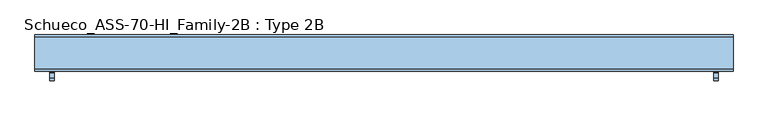
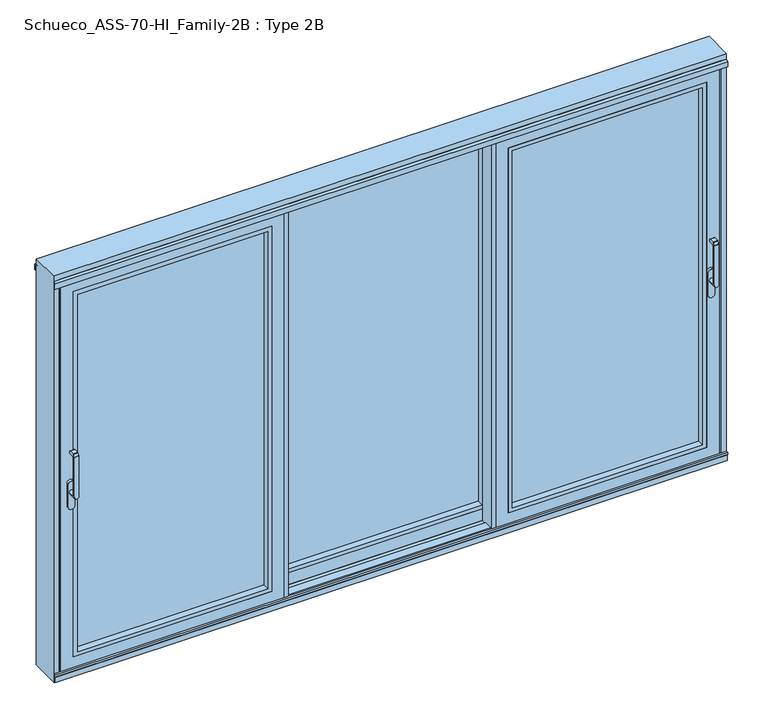
"""IFC4 building model written with IfcOpenShell, lengths in millimetres: window geometry, Schueco_ASS-70-HI_Family-2B : Type 2B."""

from ifc_helpers import new_model, si_unit, point, frame, frame_2d, origin, place, context, project, spatial, polyline, circle_curve, trimmed, segment, composite_curve, outline, extrude, faceted_brep, source, transform, mapped, element, save
from ifc_brep_helpers import plane_surface, cylinder_surface, revolved_surface, advanced_brep


def schueco_ass_70_hi_family_2b_type_2b_97aa8ce2(model_context):
    return source(origin(), model_context, "Body", "SolidModel", [
        advanced_brep(
        [(1690.9498734, -29.9999695, 1229.000061), (1714.9498734, -29.9999695, 1229.000061), (1714.9498734, -31.9999695, 1227.000061), (1690.9498734, -31.9999695, 1227.000061), (1690.9498734, -31.9999695, 1242.000061), (1714.9498734, -31.9999695, 1242.000061), (1714.9498734, -29.9999695, 1240.000061), (1690.9498734, -29.9999695, 1240.000061), (1690.9498734, -23.9999695, 1004.005052), (1690.9498734, -59.9999695, 1004.005052), (1714.9498734, -59.9999695, 1004.005052), (1714.9498734, -23.9999695, 1004.005052), (1714.9498734, -71.9999695, 1004.0), (1714.9498734, -71.9999695, 1229.2360009), (1690.9498734, -71.9999695, 1229.2360009), (1690.9498734, -71.9999695, 1004.0), (1690.9498734, -71.414183, 1230.6502145), (1690.9498734, -60.6501229, 1241.4142746), (1690.9498734, -59.2359094, 1242.000061), (1690.9498734, -52.6493095, 1227.000061), (1690.9498734, -59.9999695, 1219.6494011), (1714.9498734, -59.9999695, 1219.6494011), (1714.9498734, -52.6493095, 1227.000061), (1714.9498734, -59.2359094, 1242.000061), (1714.9498734, -60.6501229, 1241.4142746), (1714.9498734, -71.414183, 1230.6502145)],
        [
            (0, 1),
            (1, 2, circle_curve(frame((1714.9498734, -31.9999695, 1229.000061), z_axis=(-1.0, 0.0, 0.0), x_axis=(0.0, 0.0, -1.0)), 2.0)),
            (2, 3),
            (3, 0, circle_curve(frame((1690.9498734, -31.9999695, 1229.000061), z_axis=(1.0, 0.0, 0.0), x_axis=(0.0, 0.0, -1.0)), 2.0)),
            (4, 5),
            (5, 6, circle_curve(frame((1714.9498734, -31.9999695, 1240.000061), z_axis=(-1.0, 0.0, 0.0), x_axis=(0.0, 0.0, -1.0)), 2.0)),
            (6, 7),
            (7, 4, circle_curve(frame((1690.9498734, -31.9999695, 1240.000061), z_axis=(1.0, 0.0, 0.0), x_axis=(0.0, 0.0, -1.0)), 2.0)),
            (8, 9),
            (9, 10, circle_curve(frame((1702.9498734, -59.9999695, 1004.005052), z_axis=(0.0, 1.0, 0.0), x_axis=(-1.0, 0.0, 0.0)), 12.0)),
            (10, 11),
            (11, 8, circle_curve(frame((1702.9498734, -23.9999695, 1004.005052), z_axis=(0.0, -1.0, 0.0), x_axis=(-1.0, 0.0, 0.0)), 12.0)),
            (12, 13),
            (13, 14),
            (14, 15),
            (15, 12, circle_curve(frame((1702.9498734, -71.9999695, 1004.005052), z_axis=(0.0, -1.0, 0.0), x_axis=(-1.0, 0.0, 0.0)), 12.0)),
            (11, 8, circle_curve(frame((1702.9498734, -23.9999695, 1004.005052), z_axis=(0.0, 1.0, 0.0), x_axis=(-1.0, 0.0, 0.0)), 12.0)),
            (15, 9),
            (10, 12),
            (14, 16, circle_curve(frame((1690.9498734, -69.9999695, 1229.2360009), z_axis=(-1.0, 0.0, 0.0), x_axis=(0.0, 0.0, -1.0)), 2.0)),
            (16, 17),
            (17, 18, circle_curve(frame((1690.9498734, -59.2359094, 1240.000061), z_axis=(-1.0, 0.0, 0.0), x_axis=(0.0, 0.0, -1.0)), 2.0)),
            (18, 4),
            (7, 0),
            (3, 19),
            (19, 20, circle_curve(frame((1690.9498734, -52.6493095, 1219.6494011), z_axis=(1.0, 0.0, 0.0), x_axis=(0.0, 0.0, -1.0)), 7.35066)),
            (20, 9),
            (10, 21),
            (21, 22, circle_curve(frame((1714.9498734, -52.6493095, 1219.6494011), z_axis=(-1.0, 0.0, 0.0), x_axis=(0.0, 0.0, -1.0)), 7.35066)),
            (22, 2),
            (1, 6),
            (5, 23),
            (23, 24, circle_curve(frame((1714.9498734, -59.2359094, 1240.000061), z_axis=(1.0, 0.0, 0.0), x_axis=(0.0, 0.0, -1.0)), 2.0)),
            (24, 25),
            (25, 13, circle_curve(frame((1714.9498734, -69.9999695, 1229.2360009), z_axis=(1.0, 0.0, 0.0), x_axis=(0.0, 0.0, -1.0)), 2.0)),
            (20, 21),
            (19, 22),
            (18, 23),
            (17, 24),
            (16, 25),
        ],
        [
            cylinder_surface(frame((1714.9498734, -31.9999695, 1229.000061), z_axis=(-1.0, 0.0, 0.0), x_axis=(0.0, 0.0, -1.0)), 2.0),
            cylinder_surface(frame((1714.9498734, -31.9999695, 1240.000061), z_axis=(-1.0, 0.0, 0.0), x_axis=(0.0, 0.0, -1.0)), 2.0),
            cylinder_surface(frame((1702.9498734, -23.9999695, 1004.005052), z_axis=(0.0, -1.0, 0.0), x_axis=(-1.0, 0.0, 0.0)), 12.0),
            plane_surface(frame((1690.9498734, -71.9999695, 1004.005052), z_axis=(0.0, -1.0, 0.0), x_axis=(0.0, 0.0, 1.0))),
            plane_surface(frame((1690.9498734, -23.9999695, 1004.005052), z_axis=(0.0, 1.0, 0.0), x_axis=(0.0, 0.0, -1.0))),
            plane_surface(frame((1690.9498734, -71.9999695, 1009.7503433), z_axis=(-1.0, 0.0, 0.0), x_axis=(0.0, 0.0, -1.0))),
            plane_surface(frame((1714.9498734, -71.9999695, 1009.7503433), z_axis=(1.0, 0.0, 0.0), x_axis=(0.0, 0.0, 1.0))),
            plane_surface(frame((1690.9498734, -59.9999695, 1004.0), z_axis=(0.0, 1.0, 0.0), x_axis=(1.0, 0.0, 0.0))),
            revolved_surface(polyline([(1714.9498734, -52.6493095, 1212.2987411), (1690.9498734, -52.6493095, 1212.2987411)]), (1714.9498734, -52.6493095, 1219.6494011), (1.0, 0.0, 0.0)),
            plane_surface(frame((1690.9498734, -52.6493095, 1227.000061), z_axis=(0.0, 0.0, -1.0), x_axis=(1.0, 0.0, 0.0))),
            plane_surface(frame((1690.9498734, -29.9999695, 1229.000061), z_axis=(0.0, 1.0, 0.0), x_axis=(1.0, 0.0, 0.0))),
            plane_surface(frame((1690.9498734, -31.9999695, 1242.000061), z_axis=(0.0, 0.0, 1.0), x_axis=(1.0, 0.0, 0.0))),
            cylinder_surface(frame((1714.9498734, -59.2359094, 1240.000061), z_axis=(-1.0, 0.0, 0.0), x_axis=(0.0, 0.0, -1.0)), 2.0),
            plane_surface(frame((1690.9498734, -60.6501229, 1241.4142746), z_axis=(0.0, -0.7071067811865422, 0.7071067811865528), x_axis=(1.0, 0.0, 0.0))),
            cylinder_surface(frame((1714.9498734, -69.9999695, 1229.2360009), z_axis=(-1.0, 0.0, 0.0), x_axis=(0.0, 0.0, -1.0)), 2.0),
        ],
        [
            (0, [[1, 2, 3, 4]]),
            (1, [[5, 6, 7, 8]]),
            (2, [[9, 10, 11, 12]]),
            (3, [[13, 14, 15, 16]]),
            (4, [[17, -12]]),
            (2, [[18, -9, -17, -11, 19, -16]]),
            (5, [[20, 21, 22, 23, -8, 24, -4, 25, 26, 27, -18, -15]]),
            (6, [[-13, -19, 28, 29, 30, -2, 31, -6, 32, 33, 34, 35]]),
            (7, [[36, -28, -10, -27]]),
            (8, [[37, -29, -36, -26]]),
            (9, [[-3, -30, -37, -25]]),
            (10, [[-7, -31, -1, -24]]),
            (11, [[38, -32, -5, -23]]),
            (12, [[39, -33, -38, -22]]),
            (13, [[40, -34, -39, -21]]),
            (14, [[-14, -35, -40, -20]]),
        ],
    ),
        extrude(outline(composite_curve([segment(polyline([(922.2823932, 1719.6998734), (1049.0099288, 1719.6998734)]), True, "CONTINUOUS"), segment(trimmed(circle_curve(frame_2d((1049.0099288, 1702.9498734)), 16.75), [point((1049.0099288, 1719.6998734))], [point((1049.0099288, 1686.1998734))], False, "CARTESIAN"), True, "CONTINUOUS"), segment(polyline([(1049.0099288, 1686.1998734), (922.2823932, 1686.1998734)]), True, "CONTINUOUS"), segment(trimmed(circle_curve(frame_2d((922.2823932, 1702.9498734)), 16.75), [point((922.2823932, 1686.1998734))], [point((922.2823932, 1719.6998734))], False, "CARTESIAN"), True, "CONTINUOUS")], self_intersect=False)), frame((0.0, -23.9999695, 0.0), z_axis=(0.0, 1.0, 0.0), x_axis=(0.0, 0.0, 1.0)), (0.0, 0.0, 1.0), 13.9999695),
        extrude(outline(polyline([(2114.8998417, 1684.8998417), (2114.8998417, 628.766825), (59.1001583, 628.766825), (59.1001583, 1684.8998417), (2114.8998417, 1684.8998417)]), holes=[polyline([(2092.899857, 650.7668097), (2092.899857, 1662.899857), (81.100143, 1662.899857), (81.100143, 650.7668097), (2092.899857, 650.7668097)])]), frame((0.0, -10.0222971, 0.0), z_axis=(0.0, 1.0, 0.0), x_axis=(0.0, 0.0, 1.0)), (0.0, 0.0, 1.0), 35.0222836),
        extrude(outline(polyline([(636.7650984, 24.9999865), (636.7650984, 50.9898307), (1676.9015682, 50.9898307), (1676.9015682, 24.9999865), (636.7650984, 24.9999865)])), frame((0.0, 0.0, 67.0984318), z_axis=(0.0, 0.0, 1.0), x_axis=(1.0, 0.0, 0.0)), (0.0, 0.0, 1.0), 2039.8031365),
        extrude(outline(polyline([(542.6650736, -10.0222971), (542.6650736, 74.1898845), (596.6666667, 74.1898845), (596.6666667, 59.9674946), (546.4651386, 59.9674946), (546.4651386, -4.5223302), (562.6650431, -4.5223302), (562.6650431, -10.0222971), (542.6650736, -10.0222971)])), frame((0.0, 0.0, -6.9999052), z_axis=(0.0, 0.0, 1.0), x_axis=(1.0, 0.0, 0.0)), (0.0, 0.0, 1.0), 2187.9998104),
        faceted_brep([(1751.0016236, 54.4675277, 2181.0016236), (1751.0016236, 54.4675277, -7.0016236), (1751.0016236, 59.9674946, -7.0016236), (1751.0016236, 59.9674946, 2181.0016236), (562.6650431, 59.9674946, 2181.0016236), (562.6650431, 59.9674946, -7.0016236), (1663.0016236, 59.9674946, 2093.0016236), (650.6650431, 59.9674946, 2093.0016236), (650.6650431, 59.9674946, 80.9983764), (1663.0016236, 59.9674946, 80.9983764), (562.6650431, 54.4675277, -7.0016236), (562.6650431, 54.4675277, 2181.0016236), (592.6667615, 54.4675277, 2150.9999052), (1720.9999052, 54.4675277, 2150.9999052), (1720.9999052, 54.4675277, 23.0000948), (592.6667615, 54.4675277, 23.0000948), (1720.9999052, -4.5222971, 2150.9999052), (1720.9999052, -4.5222971, 23.0000948), (592.6667615, -4.5222971, 23.0000948), (562.6667615, -4.5222971, 2180.9999052), (1750.9999052, -4.5222971, 2180.9999052), (1750.9999052, -4.5222971, -6.9999052), (562.6667615, -4.5222971, -6.9999052), (592.6667615, -4.5222971, 2150.9999052), (1750.9999052, -10.0222971, 2180.9999052), (1750.9999052, -10.0222971, -6.9999052), (562.6667615, -10.0222971, -6.9999052), (562.6667615, -10.0222971, 2180.9999052), (628.766825, -10.0222971, 2114.8998417), (1684.8998417, -10.0222971, 2114.8998417), (1684.8998417, -10.0222971, 59.1001583), (628.766825, -10.0222971, 59.1001583), (1676.9015682, 50.9898307, 2106.9015682), (1676.9015682, 50.9898307, 67.0984318), (1676.9015682, 24.9898307, 67.0984318), (1676.9015682, 24.9898307, 2106.9015682), (1684.8998417, 24.9898307, 2114.8998417), (628.766825, 24.9898307, 2114.8998417), (628.766825, 24.9898307, 59.1001583), (1684.8998417, 24.9898307, 59.1001583), (636.7650984, 24.9898307, 2106.9015682), (636.7650984, 24.9898307, 67.0984318), (636.7650984, 50.9898307, 67.0984318), (636.7650984, 50.9898307, 2106.9015682), (650.6650431, 50.9898307, 2093.0016236), (1663.0016236, 50.9898307, 2093.0016236), (1663.0016236, 50.9898307, 80.9983764), (650.6650431, 50.9898307, 80.9983764)], [[[0, 1, 2, 3]], [[4, 3, 2, 5], [6, 7, 8, 9]], [[1, 10, 5, 2]], [[0, 11, 10, 1], [12, 13, 14, 15]], [[16, 17, 14, 13]], [[17, 18, 15, 14]], [[19, 20, 21, 22], [16, 23, 18, 17]], [[24, 25, 21, 20]], [[25, 26, 22, 21]], [[24, 27, 26, 25], [28, 29, 30, 31]], [[32, 33, 34, 35]], [[36, 37, 38, 39], [40, 35, 34, 41]], [[33, 42, 41, 34]], [[32, 43, 42, 33], [44, 45, 46, 47]], [[6, 9, 46, 45]], [[9, 8, 47, 46]], [[10, 11, 4, 5]], [[18, 23, 12, 15]], [[26, 27, 19, 22]], [[42, 43, 40, 41]], [[8, 7, 44, 47]], [[38, 37, 28, 31]], [[39, 38, 31, 30]], [[36, 39, 30, 29]], [[11, 0, 3, 4]], [[23, 16, 13, 12]], [[27, 24, 20, 19]], [[43, 32, 35, 40]], [[7, 6, 45, 44]], [[37, 36, 29, 28]]]),
        advanced_brep(
        [(-1690.9498734, -29.9999695, 1229.000061), (-1690.9498734, -31.9999695, 1227.000061), (-1714.9498734, -31.9999695, 1227.000061), (-1714.9498734, -29.9999695, 1229.000061), (-1690.9498734, -31.9999695, 1242.000061), (-1690.9498734, -29.9999695, 1240.000061), (-1714.9498734, -29.9999695, 1240.000061), (-1714.9498734, -31.9999695, 1242.000061), (-1690.9498734, -23.9999695, 1004.005052), (-1714.9498734, -23.9999695, 1004.005052), (-1714.9498734, -59.9999695, 1004.005052), (-1690.9498734, -59.9999695, 1004.005052), (-1714.9498734, -71.9999695, 1004.005052), (-1690.9498734, -71.9999695, 1004.005052), (-1690.9498734, -71.9999695, 1229.2360009), (-1714.9498734, -71.9999695, 1229.2360009), (-1690.9498734, -59.9999695, 1219.6494011), (-1690.9498734, -52.6493095, 1227.000061), (-1690.9498734, -59.2359094, 1242.000061), (-1690.9498734, -60.6501229, 1241.4142746), (-1690.9498734, -71.414183, 1230.6502145), (-1714.9498734, -71.414183, 1230.6502145), (-1714.9498734, -60.6501229, 1241.4142746), (-1714.9498734, -59.2359094, 1242.000061), (-1714.9498734, -52.6493095, 1227.000061), (-1714.9498734, -59.9999695, 1219.6494011)],
        [
            (0, 1, circle_curve(frame((-1690.9498734, -31.9999695, 1229.000061), z_axis=(-1.0, 0.0, 0.0), x_axis=(0.0, 0.0, -1.0)), 2.0)),
            (1, 2),
            (2, 3, circle_curve(frame((-1714.9498734, -31.9999695, 1229.000061), z_axis=(1.0, 0.0, 0.0), x_axis=(0.0, 0.0, -1.0)), 2.0)),
            (3, 0),
            (4, 5, circle_curve(frame((-1690.9498734, -31.9999695, 1240.000061), z_axis=(-1.0, 0.0, 0.0), x_axis=(0.0, 0.0, -1.0)), 2.0)),
            (5, 6),
            (6, 7, circle_curve(frame((-1714.9498734, -31.9999695, 1240.000061), z_axis=(1.0, 0.0, 0.0), x_axis=(0.0, 0.0, -1.0)), 2.0)),
            (7, 4),
            (8, 9, circle_curve(frame((-1702.9498734, -23.9999695, 1004.005052), z_axis=(0.0, -1.0, 0.0), x_axis=(1.0, 0.0, 0.0)), 12.0)),
            (9, 10),
            (10, 11, circle_curve(frame((-1702.9498734, -59.9999695, 1004.005052), z_axis=(0.0, 1.0, 0.0), x_axis=(1.0, 0.0, 0.0)), 12.0)),
            (11, 8),
            (12, 13, circle_curve(frame((-1702.9498734, -71.9999695, 1004.005052), z_axis=(0.0, -1.0, 0.0), x_axis=(1.0, 0.0, 0.0)), 12.0)),
            (13, 14),
            (14, 15),
            (15, 12),
            (8, 9, circle_curve(frame((-1702.9498734, -23.9999695, 1004.005052), z_axis=(0.0, 1.0, 0.0), x_axis=(1.0, 0.0, 0.0)), 12.0)),
            (12, 10),
            (11, 13),
            (11, 16),
            (16, 17, circle_curve(frame((-1690.9498734, -52.6493095, 1219.6494011), z_axis=(-1.0, 0.0, 0.0), x_axis=(0.0, 0.0, -1.0)), 7.35066)),
            (17, 1),
            (0, 5),
            (4, 18),
            (18, 19, circle_curve(frame((-1690.9498734, -59.2359094, 1240.000061), z_axis=(1.0, 0.0, 0.0), x_axis=(0.0, 0.0, -1.0)), 2.0)),
            (19, 20),
            (20, 14, circle_curve(frame((-1690.9498734, -69.9999695, 1229.2360009), z_axis=(1.0, 0.0, 0.0), x_axis=(0.0, 0.0, -1.0)), 2.0)),
            (15, 21, circle_curve(frame((-1714.9498734, -69.9999695, 1229.2360009), z_axis=(-1.0, 0.0, 0.0), x_axis=(0.0, 0.0, -1.0)), 2.0)),
            (21, 22),
            (22, 23, circle_curve(frame((-1714.9498734, -59.2359094, 1240.000061), z_axis=(-1.0, 0.0, 0.0), x_axis=(0.0, 0.0, -1.0)), 2.0)),
            (23, 7),
            (6, 3),
            (2, 24),
            (24, 25, circle_curve(frame((-1714.9498734, -52.6493095, 1219.6494011), z_axis=(1.0, 0.0, 0.0), x_axis=(0.0, 0.0, -1.0)), 7.35066)),
            (25, 10),
            (25, 16),
            (24, 17),
            (23, 18),
            (22, 19),
            (21, 20),
        ],
        [
            cylinder_surface(frame((-1714.9498734, -31.9999695, 1229.000061), z_axis=(1.0, 0.0, 0.0), x_axis=(0.0, 0.0, -1.0)), 2.0),
            cylinder_surface(frame((-1714.9498734, -31.9999695, 1240.000061), z_axis=(1.0, 0.0, 0.0), x_axis=(0.0, 0.0, -1.0)), 2.0),
            cylinder_surface(frame((-1702.9498734, -23.9999695, 1004.005052), z_axis=(0.0, -1.0, 0.0), x_axis=(1.0, 0.0, 0.0)), 12.0),
            plane_surface(frame((-1690.9498734, -71.9999695, 1004.005052), z_axis=(0.0, -1.0, 0.0), x_axis=(0.0, 0.0, 1.0))),
            plane_surface(frame((-1690.9498734, -23.9999695, 1004.005052), z_axis=(0.0, 1.0, 0.0), x_axis=(0.0, 0.0, -1.0))),
            plane_surface(frame((-1690.9498734, -71.9999695, 1009.7503433), z_axis=(1.0, 0.0, 0.0), x_axis=(0.0, 0.0, -1.0))),
            plane_surface(frame((-1714.9498734, -71.9999695, 1009.7503433), z_axis=(-1.0, 0.0, 0.0), x_axis=(0.0, 0.0, 1.0))),
            plane_surface(frame((-1690.9498734, -59.9999695, 1004.0), z_axis=(0.0, 1.0, 0.0), x_axis=(-1.0, 0.0, 0.0))),
            revolved_surface(polyline([(-1714.9498734, -52.6493095, 1212.2987411), (-1690.9498734, -52.6493095, 1212.2987411)]), (-1714.9498734, -52.6493095, 1219.6494011), (-1.0, 0.0, 0.0)),
            plane_surface(frame((-1690.9498734, -52.6493095, 1227.000061), z_axis=(0.0, 0.0, -1.0), x_axis=(-1.0, 0.0, 0.0))),
            plane_surface(frame((-1690.9498734, -29.9999695, 1229.000061), z_axis=(0.0, 1.0, 0.0), x_axis=(-1.0, 0.0, 0.0))),
            plane_surface(frame((-1690.9498734, -31.9999695, 1242.000061), z_axis=(0.0, 0.0, 1.0), x_axis=(-1.0, 0.0, 0.0))),
            cylinder_surface(frame((-1714.9498734, -59.2359094, 1240.000061), z_axis=(1.0, 0.0, 0.0), x_axis=(0.0, 0.0, -1.0)), 2.0),
            plane_surface(frame((-1690.9498734, -60.6501229, 1241.4142746), z_axis=(0.0, -0.7071067811865422, 0.7071067811865528), x_axis=(-1.0, 0.0, 0.0))),
            cylinder_surface(frame((-1714.9498734, -69.9999695, 1229.2360009), z_axis=(1.0, 0.0, 0.0), x_axis=(0.0, 0.0, -1.0)), 2.0),
        ],
        [
            (0, [[1, 2, 3, 4]]),
            (1, [[5, 6, 7, 8]]),
            (2, [[9, 10, 11, 12]]),
            (3, [[13, 14, 15, 16]]),
            (4, [[-9, 17]]),
            (2, [[-13, 18, -10, -17, -12, 19]]),
            (5, [[-14, -19, 20, 21, 22, -1, 23, -5, 24, 25, 26, 27]]),
            (6, [[28, 29, 30, 31, -7, 32, -3, 33, 34, 35, -18, -16]]),
            (7, [[-20, -11, -35, 36]]),
            (8, [[-21, -36, -34, 37]]),
            (9, [[-22, -37, -33, -2]]),
            (10, [[-23, -4, -32, -6]]),
            (11, [[-24, -8, -31, 38]]),
            (12, [[-25, -38, -30, 39]]),
            (13, [[-26, -39, -29, 40]]),
            (14, [[-27, -40, -28, -15]]),
        ],
    ),
        extrude(outline(composite_curve([segment(trimmed(circle_curve(frame_2d((922.2823932, -1702.9498734)), 16.75), [point((922.2823932, -1719.6998734))], [point((922.2823932, -1686.1998734))], False, "CARTESIAN"), True, "CONTINUOUS"), segment(polyline([(922.2823932, -1686.1998734), (1049.0099288, -1686.1998734)]), True, "CONTINUOUS"), segment(trimmed(circle_curve(frame_2d((1049.0099288, -1702.9498734)), 16.75), [point((1049.0099288, -1686.1998734))], [point((1049.0099288, -1719.6998734))], False, "CARTESIAN"), True, "CONTINUOUS"), segment(polyline([(1049.0099288, -1719.6998734), (922.2823932, -1719.6998734)]), True, "CONTINUOUS")], self_intersect=False)), frame((0.0, -23.9999695, 0.0), z_axis=(0.0, 1.0, 0.0), x_axis=(0.0, 0.0, 1.0)), (0.0, 0.0, 1.0), 13.9999695),
        extrude(outline(polyline([(2114.8998417, -1684.8998417), (59.1001583, -1684.8998417), (59.1001583, -628.766825), (2114.8998417, -628.766825), (2114.8998417, -1684.8998417)]), holes=[polyline([(2092.899857, -650.7668097), (81.100143, -650.7668097), (81.100143, -1662.899857), (2092.899857, -1662.899857), (2092.899857, -650.7668097)])]), frame((0.0, -10.0222971, 0.0), z_axis=(0.0, 1.0, 0.0), x_axis=(0.0, 0.0, 1.0)), (0.0, 0.0, 1.0), 35.0222836),
        extrude(outline(polyline([(-636.7650984, 24.9999865), (-1676.9015682, 24.9999865), (-1676.9015682, 50.9898307), (-636.7650984, 50.9898307), (-636.7650984, 24.9999865)])), frame((0.0, 0.0, 67.0984318), z_axis=(0.0, 0.0, 1.0), x_axis=(1.0, 0.0, 0.0)), (0.0, 0.0, 1.0), 2039.8031365),
        extrude(outline(polyline([(-542.6650736, -10.0222971), (-562.6650431, -10.0222971), (-562.6650431, -4.5223302), (-546.4651386, -4.5223302), (-546.4651386, 59.9674946), (-596.6666667, 59.9674946), (-596.6666667, 74.1898845), (-542.6650736, 74.1898845), (-542.6650736, -10.0222971)])), frame((0.0, 0.0, -6.9999052), z_axis=(0.0, 0.0, 1.0), x_axis=(1.0, 0.0, 0.0)), (0.0, 0.0, 1.0), 2187.9998104),
        faceted_brep([(-1751.0016236, 54.4675277, 2181.0016236), (-1751.0016236, 59.9674946, 2181.0016236), (-1751.0016236, 59.9674946, -7.0016236), (-1751.0016236, 54.4675277, -7.0016236), (-562.6650431, 59.9674946, 2181.0016236), (-562.6650431, 59.9674946, -7.0016236), (-1663.0016236, 59.9674946, 2093.0016236), (-1663.0016236, 59.9674946, 80.9983764), (-650.6650431, 59.9674946, 80.9983764), (-650.6650431, 59.9674946, 2093.0016236), (-562.6650431, 54.4675277, -7.0016236), (-562.6650431, 54.4675277, 2181.0016236), (-592.6667615, 54.4675277, 2150.9999052), (-592.6667615, 54.4675277, 23.0000948), (-1720.9999052, 54.4675277, 23.0000948), (-1720.9999052, 54.4675277, 2150.9999052), (-1720.9999052, -4.5222971, 2150.9999052), (-1720.9999052, -4.5222971, 23.0000948), (-592.6667615, -4.5222971, 23.0000948), (-562.6667615, -4.5222971, 2180.9999052), (-562.6667615, -4.5222971, -6.9999052), (-1750.9999052, -4.5222971, -6.9999052), (-1750.9999052, -4.5222971, 2180.9999052), (-592.6667615, -4.5222971, 2150.9999052), (-1750.9999052, -10.0222971, 2180.9999052), (-1750.9999052, -10.0222971, -6.9999052), (-562.6667615, -10.0222971, -6.9999052), (-562.6667615, -10.0222971, 2180.9999052), (-628.766825, -10.0222971, 2114.8998417), (-628.766825, -10.0222971, 59.1001583), (-1684.8998417, -10.0222971, 59.1001583), (-1684.8998417, -10.0222971, 2114.8998417), (-1676.9015682, 50.9898307, 2106.9015682), (-1676.9015682, 24.9898307, 2106.9015682), (-1676.9015682, 24.9898307, 67.0984318), (-1676.9015682, 50.9898307, 67.0984318), (-1684.8998417, 24.9898307, 2114.8998417), (-1684.8998417, 24.9898307, 59.1001583), (-628.766825, 24.9898307, 59.1001583), (-628.766825, 24.9898307, 2114.8998417), (-636.7650984, 24.9898307, 2106.9015682), (-636.7650984, 24.9898307, 67.0984318), (-636.7650984, 50.9898307, 67.0984318), (-636.7650984, 50.9898307, 2106.9015682), (-650.6650431, 50.9898307, 2093.0016236), (-650.6650431, 50.9898307, 80.9983764), (-1663.0016236, 50.9898307, 80.9983764), (-1663.0016236, 50.9898307, 2093.0016236)], [[[0, 1, 2, 3]], [[4, 5, 2, 1], [6, 7, 8, 9]], [[3, 2, 5, 10]], [[0, 3, 10, 11], [12, 13, 14, 15]], [[16, 15, 14, 17]], [[17, 14, 13, 18]], [[19, 20, 21, 22], [16, 17, 18, 23]], [[24, 22, 21, 25]], [[25, 21, 20, 26]], [[24, 25, 26, 27], [28, 29, 30, 31]], [[32, 33, 34, 35]], [[36, 37, 38, 39], [40, 41, 34, 33]], [[35, 34, 41, 42]], [[32, 35, 42, 43], [44, 45, 46, 47]], [[6, 47, 46, 7]], [[7, 46, 45, 8]], [[10, 5, 4, 11]], [[18, 13, 12, 23]], [[26, 20, 19, 27]], [[42, 41, 40, 43]], [[8, 45, 44, 9]], [[38, 29, 28, 39]], [[37, 30, 29, 38]], [[36, 31, 30, 37]], [[11, 4, 1, 0]], [[23, 12, 15, 16]], [[27, 19, 22, 24]], [[43, 40, 33, 32]], [[9, 44, 47, 6]], [[39, 28, 31, 36]]]),
        faceted_brep([(650.6682598, 150.0, 2.9839273), (650.6682598, 150.0, -6.9999052), (650.6682598, 141.2, -6.9999052), (650.6682598, 141.2, 1.0), (650.6682598, 74.1898845, 1.0), (650.6682598, 74.1898845, -15.0321213), (650.6682598, 65.7287223, -15.0321213), (650.6682598, 65.7287223, 2.9839273), (1741.0160727, 150.0, 2.9839273), (1741.0160727, 65.7287223, 2.9839273), (1741.0160727, 65.7287223, 2173.0000489), (1759.0321213, 65.7287223, -15.0321213), (1759.0321213, 65.7287223, 2173.0000489), (1759.0321213, 74.1898845, -15.0321213), (1759.0321213, 74.1898845, 2173.0000489), (1743.0, 74.1898845, 1.0), (1743.0, 74.1898845, 2173.0000489), (1743.0, 141.2, 1.0), (1743.0, 141.2, 2173.0000489), (1750.9999052, 141.2, -6.9999052), (1750.9999052, 141.2, 2173.0000489), (1750.9999052, 150.0, -6.9999052), (1750.9999052, 150.0, 2173.0000489), (1741.0160727, 150.0, 2173.0000489)], [[[0, 1, 2, 3, 4, 5, 6, 7]], [[8, 0, 7, 9]], [[10, 9, 7, 6, 11, 12]], [[11, 6, 5, 13]], [[14, 13, 5, 4, 15, 16]], [[15, 4, 3, 17]], [[18, 17, 3, 2, 19, 20]], [[19, 2, 1, 21]], [[22, 21, 1, 0, 8, 23]], [[23, 8, 9, 10]], [[12, 11, 13, 14]], [[16, 15, 17, 18]], [[20, 19, 21, 22]], [[23, 10, 12, 14, 16, 18, 20, 22]]]),
        extrude(outline(polyline([(-596.6667615, 65.8101155), (-650.6683546, 65.8101155), (-650.6683546, 150.0), (-630.6666667, 150.0), (-630.6666667, 144.5223302), (-646.8682895, 144.5223302), (-646.8682895, 80.0325054), (-596.6667615, 80.0325054), (-596.6667615, 65.8101155)])), frame((0.0, 0.0, -7.0), z_axis=(0.0, 0.0, 1.0), x_axis=(1.0, 0.0, 0.0)), (0.0, 0.0, 1.0), 2188.0),
        extrude(outline(polyline([(596.6667615, 65.8101155), (596.6667615, 80.0325054), (646.8682895, 80.0325054), (646.8682895, 144.5223302), (630.6666667, 144.5223302), (630.6666667, 150.0), (650.6683546, 150.0), (650.6683546, 65.8101155), (596.6667615, 65.8101155)])), frame((0.0, 0.0, -7.0), z_axis=(0.0, 0.0, 1.0), x_axis=(1.0, 0.0, 0.0)), (0.0, 0.0, 1.0), 2188.0),
        faceted_brep([(-650.6682598, 150.0, 2.9839273), (-650.6682598, 65.7287223, 2.9839273), (-650.6682598, 65.7287223, -15.0321213), (-650.6682598, 74.1898845, -15.0321213), (-650.6682598, 74.1898845, 1.0), (-650.6682598, 141.2, 1.0), (-650.6682598, 141.2, -6.9999052), (-650.6682598, 150.0, -6.9999052), (-1741.0160727, 150.0, 2173.0000489), (-1741.0160727, 150.0, 2.9839273), (-1750.9999052, 150.0, -6.9999052), (-1750.9999052, 150.0, 2173.0000489), (-1750.9999052, 141.2, -6.9999052), (-1750.9999052, 141.2, 2173.0000489), (-1743.0, 141.2, 1.0), (-1743.0, 141.2, 2173.0000489), (-1743.0, 74.1898845, 1.0), (-1743.0, 74.1898845, 2173.0000489), (-1759.0321213, 74.1898845, -15.0321213), (-1759.0321213, 74.1898845, 2173.0000489), (-1759.0321213, 65.7287223, -15.0321213), (-1759.0321213, 65.7287223, 2173.0000489), (-1741.0160727, 65.7287223, 2.9839273), (-1741.0160727, 65.7287223, 2173.0000489)], [[[0, 1, 2, 3, 4, 5, 6, 7]], [[8, 9, 0, 7, 10, 11]], [[10, 7, 6, 12]], [[13, 12, 6, 5, 14, 15]], [[14, 5, 4, 16]], [[17, 16, 4, 3, 18, 19]], [[18, 3, 2, 20]], [[21, 20, 2, 1, 22, 23]], [[22, 1, 0, 9]], [[23, 22, 9, 8]], [[19, 18, 20, 21]], [[15, 14, 16, 17]], [[11, 10, 12, 13]], [[8, 11, 13, 15, 17, 19, 21, 23]]]),
        extrude(outline(polyline([(2114.8982181, 564.5648848), (2114.8982181, -564.5648848), (59.1017819, -564.5648848), (59.1017819, 564.5648848), (2114.8982181, 564.5648848)]), holes=[polyline([(2093.0, -542.6666667), (2093.0, 542.6666667), (81.0, 542.6666667), (81.0, -542.6666667), (2093.0, -542.6666667)])]), frame((0.0, 80.0325054, 0.0), z_axis=(0.0, 1.0, 0.0), x_axis=(0.0, 0.0, 1.0)), (0.0, 0.0, 1.0), 34.9898307),
        extrude(outline(polyline([(-556.5666113, 115.0223361), (-556.5666113, 141.0223361), (556.5666113, 141.0223361), (556.5666113, 115.0223361), (-556.5666113, 115.0223361)])), frame((0.0, 0.0, 67.1000554), z_axis=(0.0, 0.0, 1.0), x_axis=(1.0, 0.0, 0.0)), (0.0, 0.0, 1.0), 2039.7998892),
        extrude(outline(polyline([(-596.6667615, 65.8101155), (-650.6683546, 65.8101155), (-650.6683546, 150.0), (-630.6666667, 150.0), (-630.6666667, 144.5223302), (-646.8682895, 144.5223302), (-646.8682895, 80.0325054), (-596.6667615, 80.0325054), (-596.6667615, 65.8101155)])), frame((0.0, 0.0, -7.0), z_axis=(0.0, 0.0, 1.0), x_axis=(1.0, 0.0, 0.0)), (0.0, 0.0, 1.0), 2188.0),
        faceted_brep([(630.6649483, 80.0325054, 2180.9982816), (630.6649483, 80.0325054, -6.9982816), (630.6649483, 85.5102083, -6.9982816), (630.6649483, 85.5102083, 2180.9982816), (-630.6649483, 80.0325054, -6.9982816), (-630.6649483, 85.5102083, -6.9982816), (-630.6649483, 85.5102083, 2180.9982816), (-600.6649483, 85.5102083, 23.0017184), (600.6649483, 85.5102083, 23.0017184), (600.6649483, 85.5102083, 2150.9982816), (-600.6649483, 85.5102083, 2150.9982816), (-630.6649483, 80.0325054, 2180.9982816), (564.5648848, 80.0325054, 59.1017819), (-564.5648848, 80.0325054, 59.1017819), (-564.5648848, 80.0325054, 2114.8982181), (564.5648848, 80.0325054, 2114.8982181), (600.6649483, 144.5000331, 23.0017184), (600.6649483, 144.5000331, 2150.9982816), (-600.6649483, 144.5000331, 23.0017184), (-630.6666667, 144.5000331, -7.0), (630.6666667, 144.5000331, -7.0), (630.6666667, 144.5000331, 2181.0), (-630.6666667, 144.5000331, 2181.0), (-600.6649483, 144.5000331, 2150.9982816), (630.6666667, 150.0, -7.0), (630.6666667, 150.0, 2181.0), (-630.6666667, 150.0, -7.0), (-630.6666667, 150.0, 2181.0), (-542.6666667, 150.0, 81.0), (542.6666667, 150.0, 81.0), (542.6666667, 150.0, 2093.0), (-542.6666667, 150.0, 2093.0), (542.6666667, 141.0223361, 81.0), (542.6666667, 141.0223361, 2093.0), (-542.6666667, 141.0223361, 81.0), (-556.5666113, 141.0223361, 67.1000554), (556.5666113, 141.0223361, 67.1000554), (556.5666113, 141.0223361, 2106.8999446), (-556.5666113, 141.0223361, 2106.8999446), (-542.6666667, 141.0223361, 2093.0), (556.5666113, 115.0223361, 67.1000554), (556.5666113, 115.0223361, 2106.8999446), (-556.5666113, 115.0223361, 67.1000554), (-564.5648848, 115.0223361, 59.1017819), (564.5648848, 115.0223361, 59.1017819), (564.5648848, 115.0223361, 2114.8982181), (-564.5648848, 115.0223361, 2114.8982181), (-556.5666113, 115.0223361, 2106.8999446)], [[[0, 1, 2, 3]], [[1, 4, 5, 2]], [[2, 5, 6, 3], [7, 8, 9, 10]], [[4, 11, 6, 5]], [[4, 1, 0, 11], [12, 13, 14, 15]], [[9, 8, 16, 17]], [[8, 7, 18, 16]], [[19, 20, 21, 22], [16, 18, 23, 17]], [[7, 10, 23, 18]], [[21, 20, 24, 25]], [[20, 19, 26, 24]], [[24, 26, 27, 25], [28, 29, 30, 31]], [[19, 22, 27, 26]], [[30, 29, 32, 33]], [[29, 28, 34, 32]], [[35, 36, 37, 38], [32, 34, 39, 33]], [[28, 31, 39, 34]], [[37, 36, 40, 41]], [[36, 35, 42, 40]], [[43, 44, 45, 46], [40, 42, 47, 41]], [[35, 38, 47, 42]], [[45, 44, 12, 15]], [[44, 43, 13, 12]], [[43, 46, 14, 13]], [[11, 0, 3, 6]], [[10, 9, 17, 23]], [[22, 21, 25, 27]], [[31, 30, 33, 39]], [[38, 37, 41, 47]], [[46, 45, 15, 14]]]),
        faceted_brep([(-1790.0, 149.9799122, 2240.0), (-1790.0, 150.0, -46.0), (-1790.0, -10.0, -46.0), (-1790.0, -10.0, 2240.0), (1790.0, -10.0, -46.0), (1790.0, -10.0, 2240.0), (1758.9999878, -10.0, 2209.0000341), (1758.9999878, -10.0, -14.9999878), (-1758.9999878, -10.0, -14.9999878), (-1758.9999878, -10.0, 2209.0000341), (1790.0, 149.9799122, 2240.0), (1790.0, 149.9799122, -46.0), (-1759.0, 149.9799122, 2209.0000341), (-1759.0, 149.9799122, -15.0), (1759.0, 149.9799122, -15.0), (1759.0, 149.9799122, 2209.0000341), (-1743.0, 48.300567, 1.0), (-1743.0, 1.7117574, 1.0), (1743.0, 1.7117574, 1.0), (1743.0, 48.300567, 1.0), (-1759.0, 141.2, -15.0), (1759.0, 141.2, -15.0), (1758.9999878, -1.2, -14.9999878), (-1758.9999878, -1.2, -14.9999878), (-1743.0, 91.6994085, 1.0), (1743.0, 91.6994085, 1.0), (1743.0, 138.300567, 1.0), (-1743.0, 138.300567, 1.0), (1750.9661267, 141.2, -6.9661267), (-1750.9661267, 141.2, -6.9661267), (-1750.9661267, 88.7999755, -6.9661267), (1750.9661267, 88.7999755, -6.9661267), (-1759.0321213, 51.2, -15.0321213), (1759.0321213, 51.2, -15.0321213), (1759.0321213, 88.7999755, -15.0321213), (-1759.0321213, 88.7999755, -15.0321213), (1750.9661267, 51.2, -6.9661267), (-1750.9661267, 51.2, -6.9661267), (-1743.0, 44.0436655, 2205.1913198), (-1743.0, 48.300567, 2205.1913198), (-1750.9661267, 51.2, 2205.1913198), (-1759.0321213, 51.2, 2205.1913198), (-1759.0321213, 88.7999755, 2205.1913198), (-1750.9661267, 88.7999755, 2205.1913198), (-1743.0, 91.6994085, 2205.1913198), (-1743.0, 95.9362468, 2205.1913198), (1743.0, 95.9362468, 2205.1913198), (1743.0, 91.6994085, 2205.1913198), (1750.9661267, 88.7999755, 2205.1913198), (1759.0321213, 88.7999755, 2205.1913198), (1759.0321213, 51.2, 2205.1913198), (1750.9661267, 51.2, 2205.1913198), (1743.0, 48.300567, 2205.1913198), (1743.0, 44.0436655, 2205.1913198), (1759.0, 141.2, 2209.0000341), (1750.9661267, 141.2, 2209.0000341), (1750.3614407, 140.9799122, 2209.0000341), (-1750.3614407, 140.9799122, 2209.0000341), (-1750.9661267, 141.2, 2209.0000341), (-1759.0, 141.2, 2209.0000341), (-1758.9999878, -1.2, 2209.0000341), (-1750.9999878, -1.2, 2209.0000341), (-1750.4504923, -1.0, 2209.0000341), (1750.4504923, -1.0, 2209.0000341), (1750.9999878, -1.2, 2209.0000341), (1758.9999878, -1.2, 2209.0000341), (-1743.0, 134.9837976, 2193.0), (-1743.0, 138.300567, 2193.0), (-1750.3614407, 140.9799122, 2193.0), (1750.3614407, 140.9799122, 2193.0), (1743.0, 138.300567, 2193.0), (1743.0, 134.9837976, 2193.0), (-1743.0, 134.9837976, 2184.2461635), (-1743.0, 138.300567, 2180.9293941), (-1743.0, 138.300567, 2173.0000489), (-1743.0, 91.6994085, 2173.0000489), (-1743.0, 91.6994085, 2180.4194362), (-1743.0, 95.9362468, 2184.6562744), (1743.0, 95.9362468, 2184.6562744), (1743.0, 91.6994085, 2180.4194362), (1743.0, 91.6994085, 2173.0000489), (1743.0, 138.300567, 2173.0000489), (1743.0, 138.300567, 2180.9293941), (1743.0, 134.9837976, 2184.2461635), (-1747.6139633, 139.9799122, 2179.2500488), (-1747.6139633, 139.9799122, 2173.0000489), (1747.6139633, 139.9799122, 2173.0000489), (1747.6139633, 139.9799122, 2179.2500488), (1746.3502391, 90.4800212, 2179.2000488), (1746.3502391, 90.4800212, 2173.0000489), (-1746.3502391, 90.4800212, 2173.0000489), (-1746.3502391, 90.4800212, 2179.2000488), (-1743.0, 48.300567, 2180.3993729), (-1746.2951159, 49.4998911, 2179.2000488), (-1746.2951159, 49.4998911, 2173.0000489), (-1743.0, 48.300567, 2173.0000489), (1743.0, 48.300567, 2173.0000489), (1746.2951159, 49.4998911, 2173.0000489), (1746.2951159, 49.4998911, 2179.2000488), (1743.0, 48.300567, 2180.3993729), (1750.9999878, -1.2, -6.9999878), (-1750.9999878, -1.2, -6.9999878), (1743.0, 1.7117574, 2173.0000489), (1743.0, 1.7117574, 2193.0), (1743.0, 4.9961146, 2193.0), (1743.0, 4.9961146, 2184.2461635), (1743.0, 1.7117574, 2180.9618063), (1743.0, 44.0436655, 2184.6562744), (-1743.0, 44.0436655, 2184.6562744), (-1743.0, 1.7117574, 2173.0000489), (-1743.0, 1.7117574, 2180.9618063), (-1743.0, 4.9961146, 2184.2461635), (-1743.0, 4.9961146, 2193.0), (-1743.0, 1.7117574, 2193.0), (1750.4504923, -1.0, 2193.0), (1747.7030149, 0.0, 2179.2500488), (1747.7030149, 0.0, 2173.0000489), (-1747.7030149, 0.0, 2173.0000489), (-1747.7030149, 0.0, 2179.2500488), (-1750.4504923, -1.0, 2193.0)], [[[0, 1, 2, 3]], [[2, 4, 5, 3], [6, 7, 8, 9]], [[0, 10, 11, 1], [12, 13, 14, 15]], [[5, 4, 11, 10]], [[16, 17, 18, 19]], [[20, 21, 14, 13]], [[8, 7, 22, 23]], [[24, 25, 26, 27]], [[26, 28, 29, 27]], [[24, 30, 31, 25]], [[32, 33, 34, 35]], [[16, 19, 36, 37]], [[5, 10, 0, 3]], [[38, 39, 40, 41, 42, 43, 44, 45, 46, 47, 48, 49, 50, 51, 52, 53]], [[15, 54, 55, 56, 57, 58, 59, 12]], [[9, 60, 61, 62, 63, 64, 65, 6]], [[66, 67, 68, 69, 70, 71]], [[1, 11, 4, 2]], [[21, 54, 15, 14]], [[13, 12, 59, 20]], [[23, 60, 9, 8]], [[7, 6, 65, 22]], [[67, 66, 72, 73]], [[27, 74, 75, 24]], [[76, 77, 45, 44]], [[47, 46, 78, 79]], [[25, 80, 81, 26]], [[82, 83, 71, 70]], [[20, 59, 58, 29, 28, 55, 54, 21]], [[29, 58, 57, 68, 67, 73, 84, 85, 74, 27]], [[26, 81, 86, 87, 82, 70, 69, 56, 55, 28]], [[31, 48, 47, 79, 88, 89, 80, 25]], [[30, 43, 42, 35, 34, 49, 48, 31]], [[24, 75, 90, 91, 76, 44, 43, 30]], [[35, 42, 41, 32]], [[33, 50, 49, 34]], [[32, 41, 40, 37, 36, 51, 50, 33]], [[37, 40, 39, 92, 93, 94, 95, 16]], [[19, 96, 97, 98, 99, 52, 51, 36]], [[22, 65, 64, 100, 101, 61, 60, 23]], [[18, 102, 96, 19]], [[103, 104, 105, 106]], [[99, 107, 53, 52]], [[17, 101, 100, 18]], [[39, 38, 108, 92]], [[16, 95, 109, 17]], [[110, 111, 112, 113]], [[100, 64, 63, 114, 103, 106, 115, 116, 102, 18]], [[17, 109, 117, 118, 110, 113, 119, 62, 61, 101]], [[53, 107, 108, 38]], [[45, 77, 78, 46]], [[56, 69, 68, 57]], [[114, 63, 62, 119]], [[119, 113, 112, 104, 103, 114]], [[112, 111, 105, 104]], [[111, 110, 118, 115, 106, 105]], [[118, 117, 116, 115]], [[117, 109, 95, 94, 97, 96, 102, 116]], [[94, 93, 98, 97]], [[93, 92, 108, 107, 99, 98]], [[77, 76, 91, 88, 79, 78]], [[91, 90, 89, 88]], [[90, 75, 74, 85, 86, 81, 80, 89]], [[85, 84, 87, 86]], [[84, 73, 72, 83, 82, 87]], [[71, 83, 72, 66]]]),
        extrude(outline(polyline([(158.5798866, 2193.0), (140.9799122, 2193.0), (140.9799122, 2209.0000341), (149.9799122, 2209.0000341), (162.5798866, 2201.7254355), (162.5798866, 2173.0000489), (158.5798866, 2173.0000489), (158.5798866, 2193.0)])), frame((-1790.0, 0.0, 0.0), z_axis=(1.0, 0.0, 0.0), x_axis=(0.0, 1.0, 0.0)), (0.0, 0.0, 1.0), 3580.0),
        extrude(outline(polyline([(-18.5999743, 2193.0), (-18.5999743, 2173.0000489), (-22.5999743, 2173.0000489), (-22.5999743, 2201.7254355), (-10.0, 2209.0000341), (-1.0, 2209.0000341), (-1.0, 2193.0), (-18.5999743, 2193.0)])), frame((-1790.0, 0.0, 0.0), z_axis=(1.0, 0.0, 0.0), x_axis=(0.0, 1.0, 0.0)), (0.0, 0.0, 1.0), 3580.0),
        extrude(outline(polyline([(-22.6000344, 0.960942), (-10.0, 0.960942), (-10.0, -46.0), (-18.0993105, -46.0), (-18.0993105, -15.3390921), (-22.6000344, -10.8383681), (-22.6000344, 0.960942)])), frame((-1790.0, 0.0, 0.0), z_axis=(1.0, 0.0, 0.0), x_axis=(0.0, 1.0, 0.0)), (0.0, 0.0, 1.0), 3580.0),
    ])


if __name__ == "__main__":
    model = new_model("IFC4")
    model_context = context("Model", 3, world=origin())
    ifc_project = project(units=[si_unit("LENGTHUNIT", "METRE", prefix="MILLI")], contexts=[model_context])
    site = spatial("IfcSite", under=ifc_project)
    building = spatial("IfcBuilding", under=site)
    placement = place(None, origin())
    schueco_ass_70_hi_family_2b_type_2b_shape = schueco_ass_70_hi_family_2b_type_2b_97aa8ce2(model_context)
    element("IfcWindow", 1, ObjectType="Schueco_ASS-70-HI_Family-2B : Type 2B", at=placement, inside=building, context=model_context, shape_type="MappedRepresentation", body=[
        mapped(schueco_ass_70_hi_family_2b_type_2b_shape, transform((0.0, 0.0, 0.0), x_axis=(1.0, 0.0, 0.0), y_axis=(0.0, 1.0, 0.0), z_axis=(0.0, 0.0, 1.0))),
    ])
    save(model, "model.ifc")
